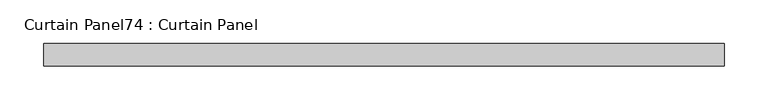
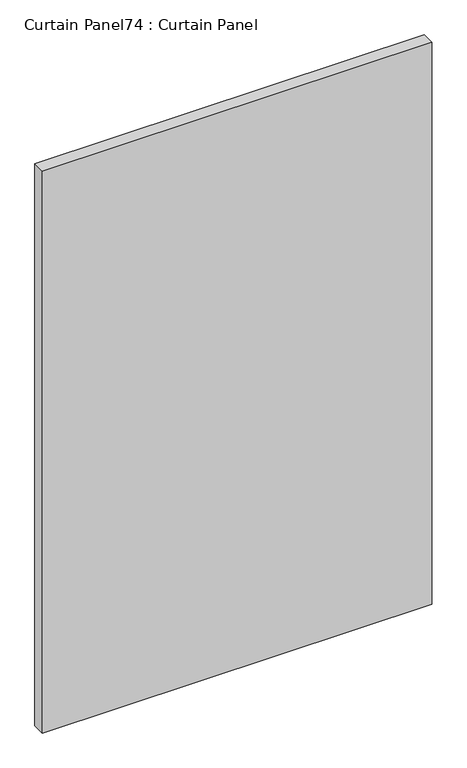
"""IFC4 building model written with IfcOpenShell, lengths in millimetres: plate geometry, Curtain Panel74 : Curtain Panel."""

from ifc_helpers import new_model, si_unit, frame, origin, place, context, project, spatial, polyline, outline, extrude, source, transform, mapped, element, save


def curtain_panel74_curtain_panel_d70372e6(model_context):
    return source(origin(), model_context, "Body", "SweptSolid", [
        extrude(outline(polyline([(-40135.7162995, -3859.9631042), (-40911.1798754, -3859.9631042), (-40911.1798754, -3834.5631042), (-40135.7162995, -3834.5631042), (-40135.7162995, -3859.9631042)])), frame((0.0, 0.0, 1223.9625), z_axis=(0.0, 0.0, 1.0), x_axis=(1.0, 0.0, 0.0)), (0.0, 0.0, 1.0), 1182.6875),
    ])


if __name__ == "__main__":
    model = new_model("IFC4")
    model_context = context("Model", 3, world=origin())
    ifc_project = project(units=[si_unit("LENGTHUNIT", "METRE", prefix="MILLI")], contexts=[model_context])
    site = spatial("IfcSite", under=ifc_project)
    building = spatial("IfcBuilding", under=site)
    placement = place(None, origin())
    curtain_panel74_curtain_panel_shape = curtain_panel74_curtain_panel_d70372e6(model_context)
    element("IfcPlate", 1, ObjectType="Curtain Panel74 : Curtain Panel", at=placement, inside=building, context=model_context, shape_type="MappedRepresentation", body=[
        mapped(curtain_panel74_curtain_panel_shape, transform((0.0, 0.0, 0.0), x_axis=(1.0, 0.0, 0.0), y_axis=(0.0, 1.0, 0.0), z_axis=(0.0, 0.0, 1.0))),
    ])
    save(model, "model.ifc")
